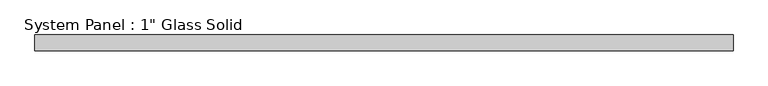
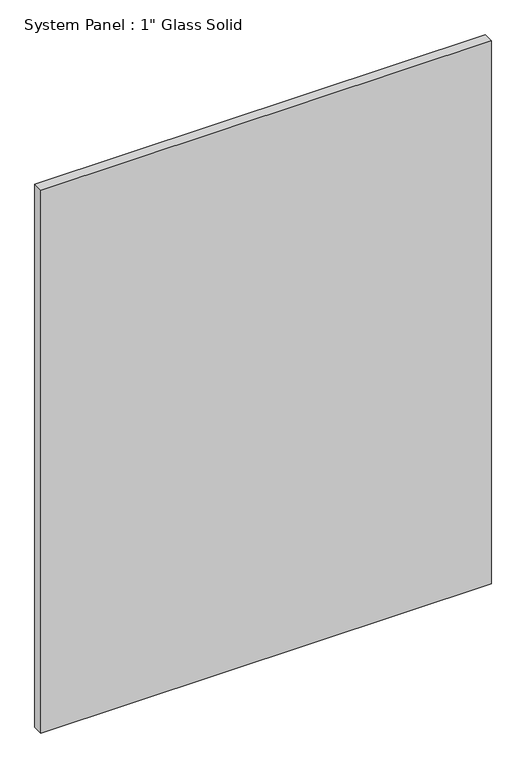
"""IFC4 building model written with IfcOpenShell, lengths in millimetres: plate geometry."""

from ifc_helpers import new_model, si_unit, origin, origin_with_axes, place, context, project, spatial, polyline, outline, extrude, source, transform, mapped, element, save


def plate_35ca3c0b(model_context):
    return source(origin(), model_context, "Body", "SweptSolid", [
        extrude(outline(polyline([(558.2220691, -12.7), (-558.2220691, -12.7), (-558.2220691, 12.7), (558.2220691, 12.7), (558.2220691, -12.7)])), origin_with_axes(), (0.0, 0.0, 1.0), 1422.2894027),
    ])


if __name__ == "__main__":
    model = new_model("IFC4")
    model_context = context("Model", 3, world=origin())
    ifc_project = project(units=[si_unit("LENGTHUNIT", "METRE", prefix="MILLI")], contexts=[model_context])
    site = spatial("IfcSite", under=ifc_project)
    building = spatial("IfcBuilding", under=site)
    placement = place(None, origin())
    plate_shape = plate_35ca3c0b(model_context)
    element("IfcPlate", 1, ObjectType="System Panel : 1\" Glass Solid", at=placement, inside=building, context=model_context, shape_type="MappedRepresentation", body=[
        mapped(plate_shape, transform((0.0, 0.0, 0.0), x_axis=(1.0, 0.0, 0.0), y_axis=(0.0, 1.0, 0.0), z_axis=(0.0, 0.0, 1.0))),
    ])
    save(model, "model.ifc")
